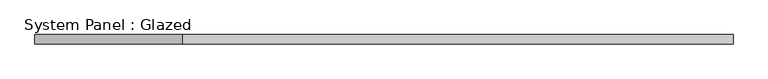
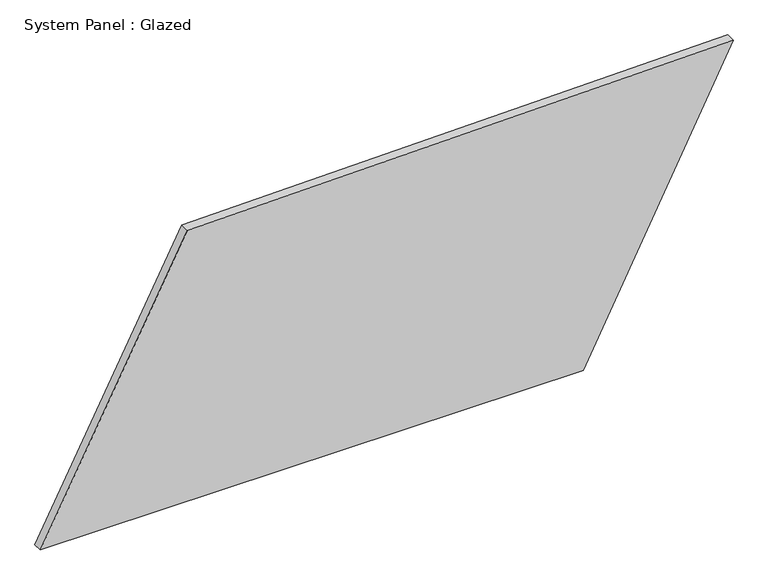
"""IFC4 building model written with IfcOpenShell, lengths in millimetres: plate geometry, System Panel : Glazed."""

from ifc_helpers import new_model, si_unit, frame, origin, place, context, project, spatial, polyline, outline, extrude, source, transform, mapped, element, save


def system_panel_glazed_e94304ac(model_context):
    return source(origin(), model_context, "Body", "SweptSolid", [
        extrude(outline(polyline([(0.0, -927.8787341), (0.0, 526.0269746), (794.9134617, 927.8787341), (767.4809573, -534.4165622), (0.0, -927.8787341)])), frame((0.0, -49.5, 0.0), z_axis=(0.0, 1.0, 0.0), x_axis=(0.0, 0.0, 1.0)), (0.0, 0.0, 1.0), 25.0),
    ])


if __name__ == "__main__":
    model = new_model("IFC4")
    model_context = context("Model", 3, world=origin())
    ifc_project = project(units=[si_unit("LENGTHUNIT", "METRE", prefix="MILLI")], contexts=[model_context])
    site = spatial("IfcSite", under=ifc_project)
    building = spatial("IfcBuilding", under=site)
    placement = place(None, origin())
    system_panel_glazed_shape = system_panel_glazed_e94304ac(model_context)
    element("IfcPlate", 1, ObjectType="System Panel : Glazed", at=placement, inside=building, context=model_context, shape_type="MappedRepresentation", body=[
        mapped(system_panel_glazed_shape, transform((0.0, 0.0, 0.0), x_axis=(1.0, 0.0, 0.0), y_axis=(0.0, 1.0, 0.0), z_axis=(0.0, 0.0, 1.0))),
    ])
    save(model, "model.ifc")
